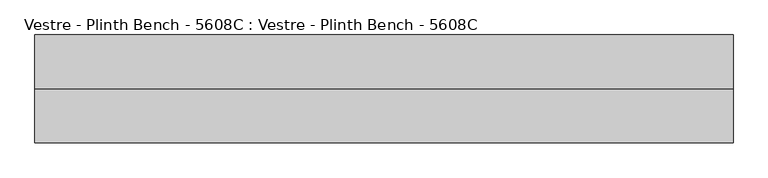
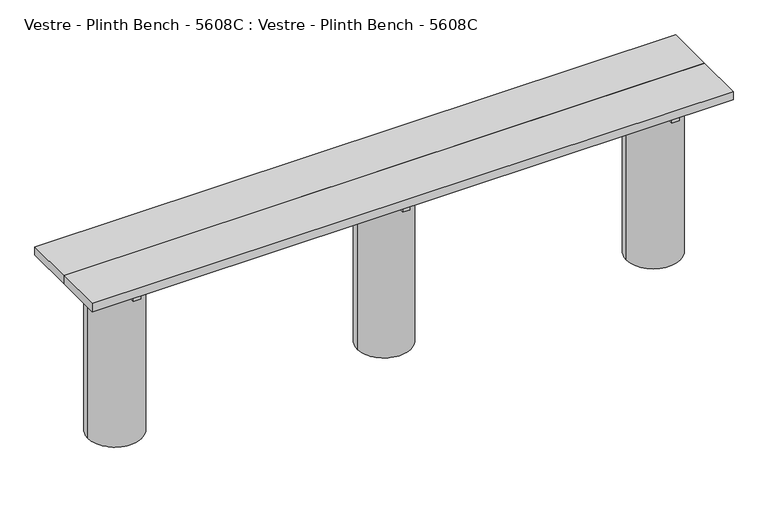
"""IFC4 building model written with IfcOpenShell, lengths in millimetres: furniture geometry, Vestre - Plinth Bench - 5608C : Vestre - Plinth Bench - 5608C."""

from ifc_helpers import new_model, si_unit, frame, origin, place, context, project, spatial, polyline, circle_curve, outline, extrude, source, transform, mapped, element, save
from ifc_brep_helpers import plane_surface, cylinder_surface, advanced_brep


def vestre_plinth_bench_5608c_vestre_plinth_bench_5608c_f043fed0(model_context):
    return source(origin(), model_context, "Body", "SolidModel", [
        extrude(outline(polyline([(1310.5005464, -17.4998463), (1310.5005464, -219.9999989), (-1310.5005464, -219.9999989), (-1310.5005464, -17.4998463), (1310.5005464, -17.4998463)])), frame((0.0, 0.0, 704.9999847), z_axis=(0.0, 0.0, 1.0), x_axis=(1.0, 0.0, 0.0)), (0.0, 0.0, 1.0), 35.0000153),
        extrude(outline(polyline([(-1085.9800473, -378.0001515), (-1115.9983608, -378.0001515), (-1115.9983608, -62.0001515), (-1085.9800473, -62.0001515), (-1085.9800473, -378.0001515)])), frame((0.0, 0.0, 654.9999847), z_axis=(0.0, 0.0, 1.0), x_axis=(1.0, 0.0, 0.0)), (0.0, 0.0, 1.0), 50.0),
        extrude(outline(polyline([(1116.0204991, -378.0001515), (1086.0021856, -378.0001515), (1086.0021856, -62.0001515), (1116.0204991, -62.0001515), (1116.0204991, -378.0001515)])), frame((0.0, 0.0, 654.9999847), z_axis=(0.0, 0.0, 1.0), x_axis=(1.0, 0.0, 0.0)), (0.0, 0.0, 1.0), 50.0),
        extrude(outline(polyline([(15.0204991, -378.0001515), (-14.9978144, -378.0001515), (-14.9978144, -62.0001515), (15.0204991, -62.0001515), (15.0204991, -378.0001515)])), frame((0.0, 0.0, 654.9999847), z_axis=(0.0, 0.0, 1.0), x_axis=(1.0, 0.0, 0.0)), (0.0, 0.0, 1.0), 50.0),
        extrude(outline(polyline([(1089.0011479, -202.4998463), (1089.0011479, -237.5001515), (-1089.0005464, -237.5001515), (-1089.0005464, -202.4998463), (1089.0011479, -202.4998463)])), frame((0.0, 0.0, 564.9999847), z_axis=(0.0, 0.0, 1.0), x_axis=(1.0, 0.0, 0.0)), (0.0, 0.0, 1.0), 90.0),
        extrude(outline(polyline([(1310.5005464, -219.9999989), (1310.5005464, -422.5001515), (-1310.5005464, -422.5001515), (-1310.5005464, -219.9999989), (1310.5005464, -219.9999989)])), frame((0.0, 0.0, 704.9999847), z_axis=(0.0, 0.0, 1.0), x_axis=(1.0, 0.0, 0.0)), (0.0, 0.0, 1.0), 35.0000153),
        advanced_brep(
        [(992.8249813, -237.5001515, 654.9999847), (1210.5868599, -219.9999989, 654.9999847), (992.8250143, -202.4996428, 654.9999847), (1089.0011479, -202.4996428, 654.9999847), (1089.0011479, -237.5001515, 654.9999847), (991.4186041, -219.9999989, 0.0), (1210.5868599, -219.9999989, 0.0), (992.8249813, -237.5001515, 564.9999847), (991.4186041, -219.9999989, 564.9999847), (992.8250143, -202.4996428, 564.9999847), (1089.0011479, -237.5001515, 564.9999847), (1089.0011479, -202.4996428, 564.9999847)],
        [
            (0, 1, circle_curve(frame((1101.002732, -219.9999989, 654.9999847), z_axis=(0.0, 0.0, 1.0), x_axis=(1.0, 0.0, 0.0)), 109.5841279)),
            (1, 2, circle_curve(frame((1101.002732, -219.9999989, 654.9999847), z_axis=(0.0, 0.0, 1.0), x_axis=(1.0, 0.0, 0.0)), 109.5841279)),
            (2, 3),
            (3, 4),
            (4, 0),
            (5, 6, circle_curve(frame((1101.002732, -219.9999989, 0.0), z_axis=(0.0, 0.0, -1.0), x_axis=(1.0, 0.0, 0.0)), 109.5841279)),
            (6, 5, circle_curve(frame((1101.002732, -219.9999989, 0.0), z_axis=(0.0, 0.0, -1.0), x_axis=(1.0, 0.0, 0.0)), 109.5841279)),
            (6, 1),
            (0, 7),
            (7, 8, circle_curve(frame((1101.002732, -219.9999989, 564.9999847), z_axis=(0.0, 0.0, -1.0), x_axis=(1.0, 0.0, 0.0)), 109.5841279)),
            (8, 5),
            (8, 9, circle_curve(frame((1101.002732, -219.9999989, 564.9999847), z_axis=(0.0, 0.0, -1.0), x_axis=(1.0, 0.0, 0.0)), 109.5841279)),
            (9, 2),
            (10, 11),
            (11, 9),
            (7, 10),
            (4, 10),
            (3, 11),
        ],
        [
            plane_surface(frame((1210.5868599, -219.9999989, 654.9999847), z_axis=(0.0, 0.0, 1.0), x_axis=(0.0, 1.0, 0.0))),
            plane_surface(frame((1210.5868599, -219.9999989, 0.0), z_axis=(0.0, 0.0, -1.0), x_axis=(0.0, -1.0, 0.0))),
            cylinder_surface(frame((1101.002732, -219.9999989, 0.0), z_axis=(0.0, 0.0, 1.0), x_axis=(1.0, 0.0, 0.0)), 109.5841279),
            plane_surface(frame((929.1366784, -202.4996428, 564.9999847), z_axis=(0.0, 0.0, 1.0), x_axis=(0.0, 1.0, 0.0))),
            plane_surface(frame((929.1366784, -237.5001515, 654.9999835), z_axis=(0.0, 1.0, 0.0), x_axis=(0.0, 0.0, -1.0))),
            plane_surface(frame((1089.0011479, -237.5001515, 654.9999835), z_axis=(-1.0, 0.0, 0.0), x_axis=(0.0, 0.0, -1.0))),
            plane_surface(frame((1089.0011479, -202.4996428, 654.9999835), z_axis=(0.0, -1.0, 0.0), x_axis=(0.0, 0.0, -1.0))),
        ],
        [
            (0, [[1, 2, 3, 4, 5]]),
            (1, [[6, 7]]),
            (2, [[-7, 8, -1, 9, 10, 11]]),
            (2, [[-6, -11, 12, 13, -2, -8]]),
            (3, [[14, 15, -12, -10, 16]]),
            (4, [[17, -16, -9, -5]]),
            (5, [[-14, -17, -4, 18]]),
            (6, [[-18, -3, -13, -15]]),
        ],
    ),
        advanced_brep(
        [(-108.1750187, -237.5001515, 654.9999847), (108.1804827, -237.5001515, 654.9999847), (108.1804827, -202.4998463, 654.9999847), (-108.1750187, -202.4998463, 654.9999847), (-109.5813959, -219.9999989, 0.0), (109.5868599, -219.9999989, 0.0), (109.5868599, -219.9999989, 564.9999847), (108.1804827, -237.5001515, 564.9999847), (-108.1750187, -237.5001515, 564.9999847), (-109.5813959, -219.9999989, 564.9999847), (-108.1750187, -202.4998463, 564.9999847), (108.1804827, -202.4998463, 564.9999847)],
        [
            (0, 1, circle_curve(frame((0.002732, -219.9999989, 654.9999847), z_axis=(0.0, 0.0, 1.0), x_axis=(1.0, 0.0, 0.0)), 109.5841279)),
            (1, 0),
            (2, 3, circle_curve(frame((0.002732, -219.9999989, 654.9999847), z_axis=(0.0, 0.0, 1.0), x_axis=(1.0, 0.0, 0.0)), 109.5841279)),
            (3, 2),
            (4, 5, circle_curve(frame((0.002732, -219.9999989, 0.0), z_axis=(0.0, 0.0, -1.0), x_axis=(1.0, 0.0, 0.0)), 109.5841279)),
            (5, 4, circle_curve(frame((0.002732, -219.9999989, 0.0), z_axis=(0.0, 0.0, -1.0), x_axis=(1.0, 0.0, 0.0)), 109.5841279)),
            (5, 6),
            (6, 7, circle_curve(frame((0.002732, -219.9999989, 564.9999847), z_axis=(0.0, 0.0, -1.0), x_axis=(1.0, 0.0, 0.0)), 109.5841279)),
            (7, 1),
            (0, 8),
            (8, 9, circle_curve(frame((0.002732, -219.9999989, 564.9999847), z_axis=(0.0, 0.0, -1.0), x_axis=(1.0, 0.0, 0.0)), 109.5841279)),
            (9, 4),
            (9, 10, circle_curve(frame((0.002732, -219.9999989, 564.9999847), z_axis=(0.0, 0.0, -1.0), x_axis=(1.0, 0.0, 0.0)), 109.5841279)),
            (10, 3),
            (2, 11),
            (11, 6, circle_curve(frame((0.002732, -219.9999989, 564.9999847), z_axis=(0.0, 0.0, -1.0), x_axis=(1.0, 0.0, 0.0)), 109.5841279)),
            (11, 10),
            (8, 7),
        ],
        [
            plane_surface(frame((109.5868599, -219.9999989, 654.9999847), z_axis=(0.0, 0.0, 1.0), x_axis=(0.0, 1.0, 0.0))),
            plane_surface(frame((109.5868599, -219.9999989, 0.0), z_axis=(0.0, 0.0, -1.0), x_axis=(0.0, -1.0, 0.0))),
            cylinder_surface(frame((0.002732, -219.9999989, 0.0), z_axis=(0.0, 0.0, 1.0), x_axis=(1.0, 0.0, 0.0)), 109.5841279),
            plane_surface(frame((-130.4989072, -202.4998463, 564.9999847), z_axis=(0.0, 0.0, 1.0), x_axis=(1.0, 0.0, 0.0))),
            plane_surface(frame((-130.4989072, -202.4998463, 654.9999847), z_axis=(0.0, -1.0, 0.0), x_axis=(1.0, 0.0, 0.0))),
            plane_surface(frame((-130.4989072, -237.5001515, 564.9999847), z_axis=(0.0, 1.0, 0.0), x_axis=(1.0, 0.0, 0.0))),
        ],
        [
            (0, [[1, 2]]),
            (0, [[3, 4]]),
            (1, [[5, 6]]),
            (2, [[-6, 7, 8, 9, -1, 10, 11, 12]]),
            (2, [[-5, -12, 13, 14, -3, 15, 16, -7]]),
            (3, [[17, -13, -11, 18, -8, -16]]),
            (4, [[-17, -15, -4, -14]]),
            (5, [[-18, -10, -2, -9]]),
        ],
    ),
        advanced_brep(
        [(-1210.5819423, -219.9999989, 654.9999847), (-992.8200637, -237.5001515, 654.9999847), (-1088.9994536, -237.5001515, 654.9999847), (-1088.9994536, -202.4998463, 654.9999847), (-992.8200637, -202.4998463, 654.9999847), (-1210.5819423, -219.9999989, 0.0), (-991.4136865, -219.9999989, 0.0), (-991.4136865, -219.9999989, 564.9999847), (-992.8200637, -237.5001515, 564.9999847), (-992.8200637, -202.4998463, 564.9999847), (-1088.9994536, -237.5001515, 564.9999847), (-1088.9994536, -202.4998463, 564.9999847)],
        [
            (0, 1, circle_curve(frame((-1100.9978144, -219.9999989, 654.9999847), z_axis=(0.0, 0.0, 1.0), x_axis=(1.0, 0.0, 0.0)), 109.5841279)),
            (1, 2),
            (2, 3),
            (3, 4),
            (4, 0, circle_curve(frame((-1100.9978144, -219.9999989, 654.9999847), z_axis=(0.0, 0.0, 1.0), x_axis=(1.0, 0.0, 0.0)), 109.5841279)),
            (5, 6, circle_curve(frame((-1100.9978144, -219.9999989, 0.0), z_axis=(0.0, 0.0, -1.0), x_axis=(1.0, 0.0, 0.0)), 109.5841279)),
            (6, 5, circle_curve(frame((-1100.9978144, -219.9999989, 0.0), z_axis=(0.0, 0.0, -1.0), x_axis=(1.0, 0.0, 0.0)), 109.5841279)),
            (6, 7),
            (7, 8, circle_curve(frame((-1100.9978144, -219.9999989, 564.9999847), z_axis=(0.0, 0.0, -1.0), x_axis=(1.0, 0.0, 0.0)), 109.5841279)),
            (8, 1),
            (0, 5),
            (4, 9),
            (9, 7, circle_curve(frame((-1100.9978144, -219.9999989, 564.9999847), z_axis=(0.0, 0.0, -1.0), x_axis=(1.0, 0.0, 0.0)), 109.5841279)),
            (10, 11),
            (11, 3),
            (2, 10),
            (10, 8),
            (9, 11),
        ],
        [
            plane_surface(frame((-991.4136865, -219.9999989, 654.9999847), z_axis=(0.0, 0.0, 1.0), x_axis=(0.0, 1.0, 0.0))),
            plane_surface(frame((-991.4136865, -219.9999989, 0.0), z_axis=(0.0, 0.0, -1.0), x_axis=(0.0, -1.0, 0.0))),
            cylinder_surface(frame((-1100.9978144, -219.9999989, 0.0), z_axis=(0.0, 0.0, 1.0), x_axis=(1.0, 0.0, 0.0)), 109.5841279),
            plane_surface(frame((-1088.9994536, -202.4998463, 564.9999847), z_axis=(1.0, 0.0, 0.0), x_axis=(0.0, -1.0, 0.0))),
            plane_surface(frame((-970.4989072, -237.5001515, 564.9999847), z_axis=(0.0, 0.0, 1.0), x_axis=(-1.0, 0.0, 0.0))),
            plane_surface(frame((-970.4989072, -202.4998463, 564.9999847), z_axis=(0.0, -1.0, 0.0), x_axis=(-1.0, 0.0, 0.0))),
            plane_surface(frame((-970.4989072, -237.5001515, 654.9999847), z_axis=(0.0, 1.0, 0.0), x_axis=(-1.0, 0.0, 0.0))),
        ],
        [
            (0, [[1, 2, 3, 4, 5]]),
            (1, [[6, 7]]),
            (2, [[-7, 8, 9, 10, -1, 11]]),
            (2, [[-6, -11, -5, 12, 13, -8]]),
            (3, [[14, 15, -3, 16]]),
            (4, [[-14, 17, -9, -13, 18]]),
            (5, [[-15, -18, -12, -4]]),
            (6, [[-16, -2, -10, -17]]),
        ],
    ),
    ])


if __name__ == "__main__":
    model = new_model("IFC4")
    model_context = context("Model", 3, world=origin())
    ifc_project = project(units=[si_unit("LENGTHUNIT", "METRE", prefix="MILLI")], contexts=[model_context])
    site = spatial("IfcSite", under=ifc_project)
    building = spatial("IfcBuilding", under=site)
    placement = place(None, origin())
    vestre_plinth_bench_5608c_vestre_plinth_bench_5608c_shape = vestre_plinth_bench_5608c_vestre_plinth_bench_5608c_f043fed0(model_context)
    element("IfcFurniture", 1, ObjectType="Vestre - Plinth Bench - 5608C : Vestre - Plinth Bench - 5608C", at=placement, inside=building, context=model_context, shape_type="MappedRepresentation", body=[
        mapped(vestre_plinth_bench_5608c_vestre_plinth_bench_5608c_shape, transform((0.0, 0.0, 0.0), x_axis=(1.0, 0.0, 0.0), y_axis=(0.0, 1.0, 0.0), z_axis=(0.0, 0.0, 1.0))),
    ])
    save(model, "model.ifc")
